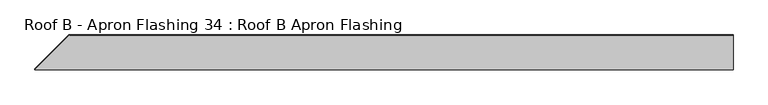
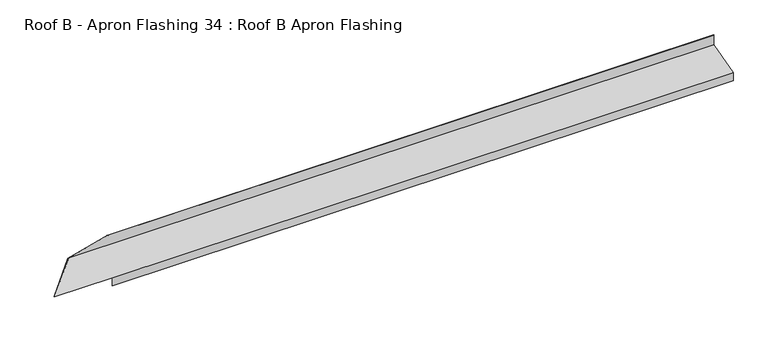
"""IFC4 building model written with IfcOpenShell, lengths in millimetres: proxy geometry, Roof B - Apron Flashing 34 : Roof B Apron Flashing."""

from ifc_helpers import new_model, si_unit, origin, place, context, project, spatial, faceted_brep, source, transform, mapped, element, save


def roof_b_apron_flashing_34_roof_b_apron_flashing_2fb8e14e(model_context):
    return source(origin(), model_context, "Body", "Brep", [
        faceted_brep([(-1606.9542376, -32423.6780922, 4055.6588838), (-1606.9542376, -32224.3051103, 4109.0807133), (-1606.9542376, -32224.3051103, 4171.1338746), (-1606.9542376, -32225.3051103, 4171.1338746), (-1606.9542376, -32225.3051103, 4109.8480403), (-1606.9542376, -32424.6780922, 4056.4262108), (-1606.9542376, -32424.6780922, 4006.4262108), (-1606.9542376, -32423.6780922, 4006.4262108), (-5281.5993027, -32423.6780922, 4055.6588838), (-5278.0352884, -32420.1140779, 4056.6138586), (-5623.8324012, -32420.1140779, 4056.6138586), (-5428.0234336, -32224.3051103, 4109.0807133), (-5196.4378829, -32224.3051103, 4171.1338746), (-5196.4378829, -32225.3051103, 4171.1338746), (-5425.1597303, -32225.3051103, 4109.8480403), (-5623.8324012, -32423.9777812, 4056.6138586), (-5281.8989917, -32423.9777812, 4056.6138586), (-5282.5993027, -32424.6780922, 4056.4262108), (-5282.5993027, -32424.6780922, 4006.4262108), (-5281.5993027, -32423.6780922, 4006.4262108)], [[[0, 1, 2, 3, 4, 5, 6, 7]], [[1, 0, 8, 9, 10, 11]], [[2, 1, 11, 12]], [[3, 2, 12, 13]], [[4, 3, 13, 14]], [[5, 4, 14, 15, 16, 17]], [[6, 5, 17, 18]], [[7, 6, 18, 19]], [[0, 7, 19, 8]], [[9, 16, 15, 10]], [[16, 9, 8, 19, 18, 17]], [[11, 10, 15, 14, 13, 12]]]),
    ])


if __name__ == "__main__":
    model = new_model("IFC4")
    model_context = context("Model", 3, world=origin())
    ifc_project = project(units=[si_unit("LENGTHUNIT", "METRE", prefix="MILLI")], contexts=[model_context])
    site = spatial("IfcSite", under=ifc_project)
    building = spatial("IfcBuilding", under=site)
    placement = place(None, origin())
    roof_b_apron_flashing_34_roof_b_apron_flashing_shape = roof_b_apron_flashing_34_roof_b_apron_flashing_2fb8e14e(model_context)
    element("IfcBuildingElementProxy", 1, Name="Roof B - Apron Flashing 34 : Roof B Apron Flashing", ObjectType="Roof B - Apron Flashing 34 : Roof B Apron Flashing", at=placement, inside=building, context=model_context, shape_type="MappedRepresentation", body=[
        mapped(roof_b_apron_flashing_34_roof_b_apron_flashing_shape, transform((0.0, 0.0, 0.0), x_axis=(1.0, 0.0, 0.0), y_axis=(0.0, 1.0, 0.0), z_axis=(0.0, 0.0, 1.0))),
    ])
    save(model, "model.ifc")
